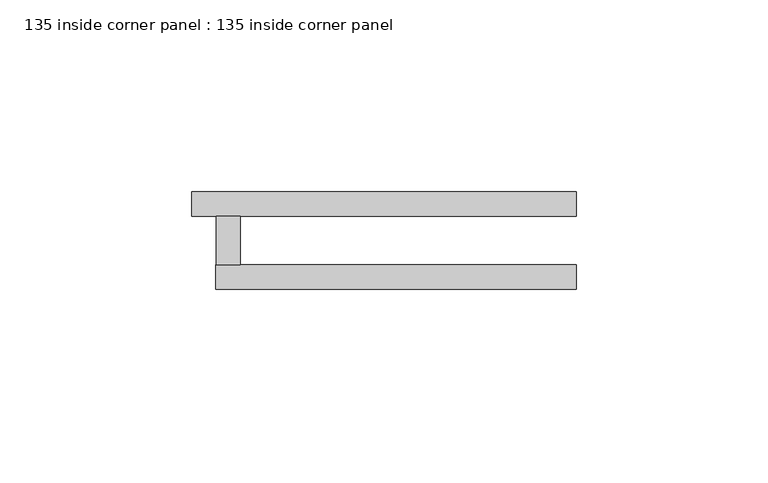
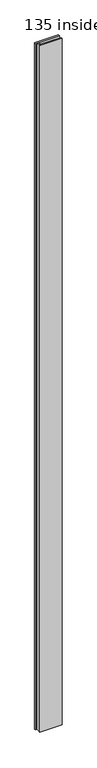
"""IFC4 building model written with IfcOpenShell, lengths in millimetres: plate geometry, 135 inside corner panel : 135 inside corner panel."""

from ifc_helpers import new_model, si_unit, origin, origin_with_axes, place, context, project, spatial, polyline, outline, extrude, source, transform, mapped, element, save


def plate_135_inside_corner_panel_135_inside_corner_panel_03352d08(model_context):
    return source(origin(), model_context, "Body", "SweptSolid", [
        extrude(outline(polyline([(12.7, 19.05), (12.7, 6.35), (6.35, 6.35), (6.35, 19.05), (12.7, 19.05)])), origin_with_axes(), (0.0, 0.0, 1.0), 3048.0),
        extrude(outline(polyline([(100.2452198, 0.0), (6.2749094, 0.0), (6.2749094, 6.35), (100.2452198, 6.35), (100.2452198, 0.0)])), origin_with_axes(), (0.0, 0.0, 1.0), 3048.0),
        extrude(outline(polyline([(100.2452198, 19.05), (0.0, 19.05), (0.0, 25.4), (100.2452198, 25.4), (100.2452198, 19.05)])), origin_with_axes(), (0.0, 0.0, 1.0), 3048.0),
    ])


if __name__ == "__main__":
    model = new_model("IFC4")
    model_context = context("Model", 3, world=origin())
    ifc_project = project(units=[si_unit("LENGTHUNIT", "METRE", prefix="MILLI")], contexts=[model_context])
    site = spatial("IfcSite", under=ifc_project)
    building = spatial("IfcBuilding", under=site)
    placement = place(None, origin())
    plate_135_inside_corner_panel_135_inside_corner_panel_shape = plate_135_inside_corner_panel_135_inside_corner_panel_03352d08(model_context)
    element("IfcPlate", 1, ObjectType="135 inside corner panel : 135 inside corner panel", at=placement, inside=building, context=model_context, shape_type="MappedRepresentation", body=[
        mapped(plate_135_inside_corner_panel_135_inside_corner_panel_shape, transform((0.0, 0.0, 0.0), x_axis=(1.0, 0.0, 0.0), y_axis=(0.0, 1.0, 0.0), z_axis=(0.0, 0.0, 1.0))),
    ])
    save(model, "model.ifc")
